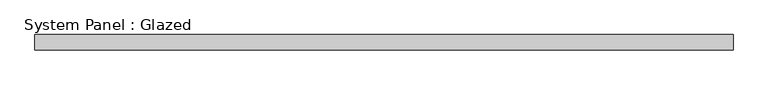
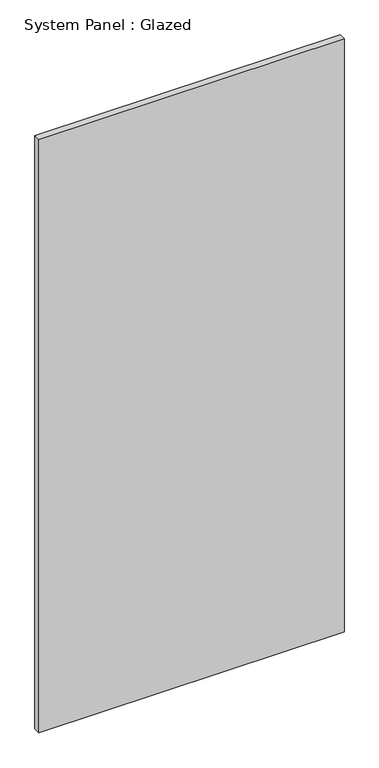
"""IFC4 building model written with IfcOpenShell, lengths in millimetres: plate geometry, System Panel : Glazed."""

import ifcopenshell
import ifcopenshell.guid

model = None  # the IFC model being written
_history = None  # IfcOwnerHistory: only IFC2X3 demands one
_inside = {}  # id of a spatial element -> (the spatial element, [elements in it])
_under = {}  # id of a project, library or spatial element -> (it, [spatial elements below it])
_declared = {}  # id of a project -> (the project, [libraries it declares])
_typed = {}  # id of a type object -> (the type object, [elements of that type])
_made_of = {}  # id of a material, layer set ... -> (it, [elements and type objects made of it])


def new_model(schema):
    """Start an empty IFC model of exactly this schema.

    Asked for "IFC4X3", IfcOpenShell would pick the latest addendum, in which some entities
    have other attributes; the version numbers below select the first issue.
    IFC2X3 requires an IfcOwnerHistory on every rooted entity: one is made here for all.
    """
    global model, _history
    if schema == "IFC4X3":
        model = ifcopenshell.file(schema_version=(4, 3, 0, 0))
    else:
        model = ifcopenshell.file(schema=schema)
    _inside.clear()
    _under.clear()
    _declared.clear()
    _typed.clear()
    _made_of.clear()
    _history = None
    if model.schema == "IFC2X3":
        org = make("IfcOrganization", Name="unknown")
        user = make(
            "IfcPersonAndOrganization",
            ThePerson=make("IfcPerson", FamilyName="unknown"),
            TheOrganization=org,
        )
        app = make(
            "IfcApplication",
            ApplicationDeveloper=org,
            Version="unknown",
            ApplicationFullName="unknown",
            ApplicationIdentifier="unknown",
        )
        _history = make(
            "IfcOwnerHistory",
            OwningUser=user,
            OwningApplication=app,
            ChangeAction="ADDED",
            CreationDate=0,
        )
    return model


def make(cls, **values):
    """One entity of the class cls with the attributes given. An attribute that is None is left unset."""
    return model.create_entity(
        cls, **{name: value for name, value in values.items() if value is not None}
    )


def rooted(cls, **values):
    """An entity with a GlobalId (a new one), such as an element, a storey or a relation."""
    return make(cls, GlobalId=ifcopenshell.guid.new(), OwnerHistory=_history, **values)


def si_unit(unit_type, name, prefix=None):
    """IfcSIUnit, for example si_unit("LENGTHUNIT", "METRE", prefix="MILLI")."""
    return make("IfcSIUnit", UnitType=unit_type, Prefix=prefix, Name=name)


def assignment(units):
    """IfcUnitAssignment: the units of a project."""
    return None if units is None else make("IfcUnitAssignment", Units=units)


def point(xyz):
    """IfcCartesianPoint."""
    return None if xyz is None else make("IfcCartesianPoint", Coordinates=xyz)


def direction(xyz):
    """IfcDirection."""
    return None if xyz is None else make("IfcDirection", DirectionRatios=xyz)


def frame(location, z_axis=None, x_axis=None):
    """IfcAxis2Placement3D, a coordinate frame: its origin and axes. An axis left out is left unset."""
    return make(
        "IfcAxis2Placement3D",
        Location=point(location),
        Axis=direction(z_axis),
        RefDirection=direction(x_axis),
    )


def origin():
    """The frame at (0, 0, 0) with its axes left unset."""
    return frame((0.0, 0.0, 0.0))


def origin_with_axes():
    """The frame at (0, 0, 0) with the z axis (0, 0, 1) and the x axis (1, 0, 0) written out."""
    return frame((0.0, 0.0, 0.0), z_axis=(0.0, 0.0, 1.0), x_axis=(1.0, 0.0, 0.0))


def place(relative_to, where):
    """IfcLocalPlacement: puts the frame where relative to a parent placement (None: the world)."""
    return make(
        "IfcLocalPlacement", PlacementRelTo=relative_to, RelativePlacement=where
    )


def context(
    kind, dimensions, precision=None, world=None, true_north=None, identifier=None
):
    """IfcGeometricRepresentationContext, for example the 3D "Model" context."""
    return make(
        "IfcGeometricRepresentationContext",
        ContextIdentifier=identifier,
        ContextType=kind,
        CoordinateSpaceDimension=dimensions,
        Precision=precision,
        WorldCoordinateSystem=world,
        TrueNorth=true_north,
    )


def project(units=None, contexts=None):
    """IfcProject with its units and contexts."""
    return rooted(
        "IfcProject",
        Name="project",
        RepresentationContexts=contexts,
        UnitsInContext=assignment(units),
    )


def spatial(cls, under=None, at=None, **own):
    """A site, building, storey or space (cls), placed at a placement, below another one or the project."""
    s = rooted(cls, ObjectPlacement=at, **own)
    if under is not None:
        _under.setdefault(under.id(), (under, []))[1].append(s)
    return s


def polyline(points):
    """IfcPolyline through the points."""
    return make("IfcPolyline", Points=[point(p) for p in points])


def outline(outer, holes=None, kind="AREA"):
    """IfcArbitraryClosedProfileDef: a profile drawn as a closed curve; with holes, ...WithVoids."""
    if holes is None:
        return make("IfcArbitraryClosedProfileDef", ProfileType=kind, OuterCurve=outer)
    return make(
        "IfcArbitraryProfileDefWithVoids",
        ProfileType=kind,
        OuterCurve=outer,
        InnerCurves=holes,
    )


def extrude(swept, where, along, depth):
    """IfcExtrudedAreaSolid: the profile swept, set in the frame where, extruded along a direction by depth."""
    return make(
        "IfcExtrudedAreaSolid",
        SweptArea=swept,
        Position=where,
        ExtrudedDirection=direction(along),
        Depth=depth,
    )


def shape(context_of_items, identifier, shape_type, items):
    """IfcShapeRepresentation: the items that make up one representation, for example the "Body"."""
    return make(
        "IfcShapeRepresentation",
        ContextOfItems=context_of_items,
        RepresentationIdentifier=identifier,
        RepresentationType=shape_type,
        Items=items,
    )


def source(mapping_origin, context_of_items, identifier, shape_type, items):
    """IfcRepresentationMap: a shape defined once, which mapped items show again and again."""
    return make(
        "IfcRepresentationMap",
        MappingOrigin=mapping_origin,
        MappedRepresentation=shape(context_of_items, identifier, shape_type, items),
    )


def transform(
    local_origin,
    x_axis=None,
    y_axis=None,
    z_axis=None,
    scale=None,
    scale2=None,
    scale3=None,
    uniform=True,
):
    """IfcCartesianTransformationOperator3D, or its non-uniform kind. x_axis, y_axis, z_axis: its Axis1, 2, 3."""
    if uniform:
        return make(
            "IfcCartesianTransformationOperator3D",
            Axis1=direction(x_axis),
            Axis2=direction(y_axis),
            LocalOrigin=point(local_origin),
            Scale=scale,
            Axis3=direction(z_axis),
        )
    return make(
        "IfcCartesianTransformationOperator3DnonUniform",
        Axis1=direction(x_axis),
        Axis2=direction(y_axis),
        LocalOrigin=point(local_origin),
        Scale=scale,
        Axis3=direction(z_axis),
        Scale2=scale2,
        Scale3=scale3,
    )


def mapped(mapping_source, mapping_target):
    """IfcMappedItem: shows the shape of a source again, moved by a transform."""
    return make(
        "IfcMappedItem", MappingSource=mapping_source, MappingTarget=mapping_target
    )


def made_of(thing, what):
    """Note that an element or type object is made of a material, layer set ...; save() writes the relation."""
    if what is not None:
        _made_of.setdefault(what.id(), (what, []))[1].append(thing)
    return thing


def element(
    cls,
    number,
    at=None,
    inside=None,
    cuts=None,
    type_object=None,
    material=None,
    context=None,
    identifier="Body",
    shape_type=None,
    held_by="IfcProductDefinitionShape",
    body=None,
    shapes=None,
    **own,
):
    """One element of the class cls, such as IfcWall. Its Tag is "e" and its number.

    at: its placement. inside: the storey or other place that contains it. cuts: it is an
    opening in that element (IfcRelVoidsElement). A single representation is given by context,
    identifier, shape_type and body (its items); several are given by shapes. held_by: the class
    of the entity that holds the representations. save() writes the other relations.
    """
    e = rooted(cls, Tag="e%d" % number, ObjectPlacement=at, **own)
    if body is not None:
        shapes = [shape(context, identifier, shape_type, body)]
    if shapes is not None:
        e.Representation = make(held_by, Representations=shapes)
    if inside is not None:
        _inside.setdefault(inside.id(), (inside, []))[1].append(e)
    if cuts is not None:
        rooted(
            "IfcRelVoidsElement", RelatingBuildingElement=cuts, RelatedOpeningElement=e
        )
    if type_object is not None:
        _typed.setdefault(type_object.id(), (type_object, []))[1].append(e)
    return made_of(e, material)


def aggregate(whole, parts):
    """IfcRelAggregates: a whole, such as a stair, and the parts it consists of."""
    return rooted("IfcRelAggregates", RelatingObject=whole, RelatedObjects=parts)


def save(model, path):
    """Write the relations noted so far, then the file.

    IfcRelAggregates (storeys below a building ...), IfcRelContainedInSpatialStructure (elements
    in a storey), IfcRelDefinesByType, IfcRelAssociatesMaterial and IfcRelDeclares: one each for
    every whole, place, type object, material and project.
    """
    for whole, parts in _under.values():
        aggregate(whole, parts)
    for where, things in _inside.values():
        rooted(
            "IfcRelContainedInSpatialStructure",
            RelatedElements=things,
            RelatingStructure=where,
        )
    for kind, things in _typed.values():
        rooted("IfcRelDefinesByType", RelatedObjects=things, RelatingType=kind)
    for what, things in _made_of.values():
        rooted("IfcRelAssociatesMaterial", RelatedObjects=things, RelatingMaterial=what)
    for by, libraries in _declared.values():
        rooted("IfcRelDeclares", RelatingContext=by, RelatedDefinitions=libraries)
    model.write(path)


def system_panel_glazed_8613b486(model_context):
    return source(origin(), model_context, "Body", "SweptSolid", [
        extrude(outline(polyline([(577.85, -44.45), (-577.85, -44.45), (-577.85, -19.05), (577.85, -19.05), (577.85, -44.45)])), origin_with_axes(), (0.0, 0.0, 1.0), 2374.9),
    ])


if __name__ == "__main__":
    model = new_model("IFC4")
    model_context = context("Model", 3, world=origin())
    ifc_project = project(units=[si_unit("LENGTHUNIT", "METRE", prefix="MILLI")], contexts=[model_context])
    site = spatial("IfcSite", under=ifc_project)
    building = spatial("IfcBuilding", under=site)
    placement = place(None, origin())
    system_panel_glazed_shape = system_panel_glazed_8613b486(model_context)
    element("IfcPlate", 1, ObjectType="System Panel : Glazed", at=placement, inside=building, context=model_context, shape_type="MappedRepresentation", body=[
        mapped(system_panel_glazed_shape, transform((0.0, 0.0, 0.0), x_axis=(1.0, 0.0, 0.0), y_axis=(0.0, 1.0, 0.0), z_axis=(0.0, 0.0, 1.0))),
    ])
    save(model, "model.ifc")
